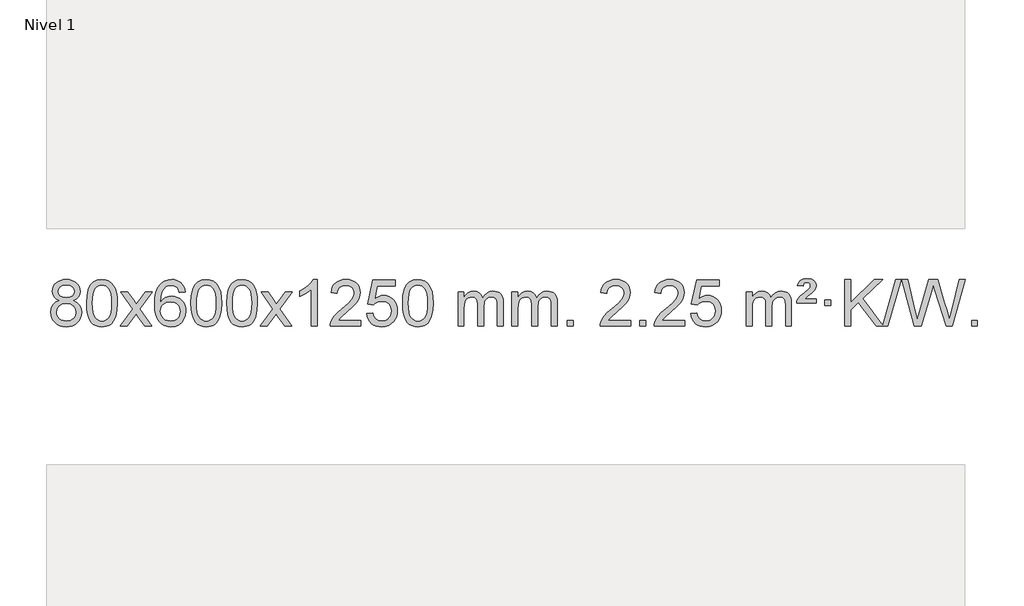
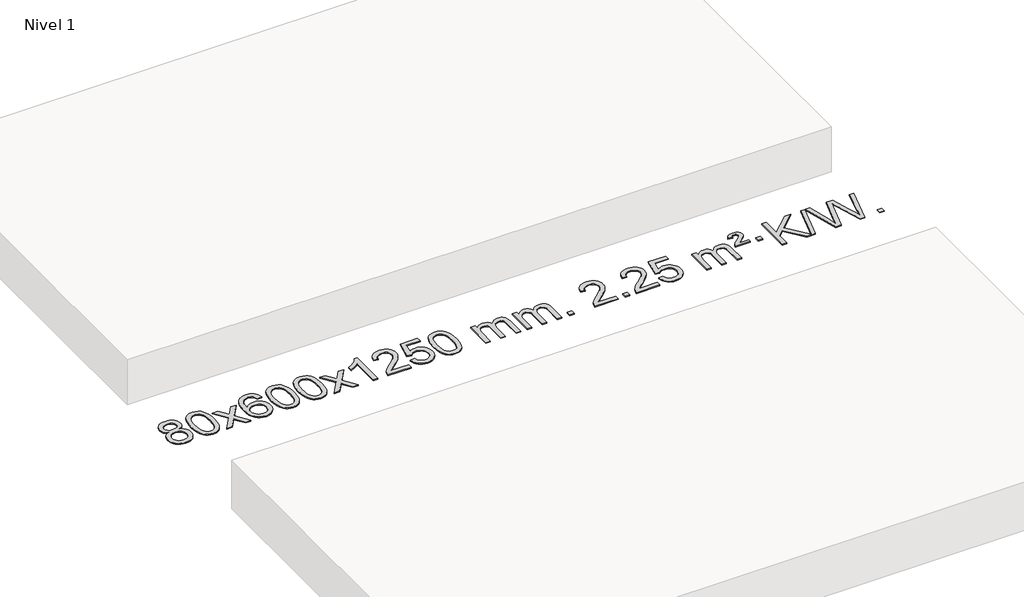
# One storey, part 6 of 7: 1 proxy.
"""IFC4 building model written with IfcOpenShell, lengths in millimetres."""

from ifc_helpers import new_model, si_unit, origin, origin_with_axes, place, context, project, spatial, polyline, outline, extrude, element, save

model = new_model("IFC4")

# Units and contexts
model_context = context("Model", 3, world=origin())
ifc_project = project(units=[si_unit("LENGTHUNIT", "METRE", prefix="MILLI")], contexts=[model_context])

# Site, building, storey
site = spatial("IfcSite", under=ifc_project)
building = spatial("IfcBuilding", under=site)
storey = spatial("IfcBuildingStorey", under=building, Name="Nivel 1", Elevation=0.0)

# Proxy
placement = place(None, origin())
element("IfcBuildingElementProxy", 1, Name="Texto de modelo 1", ObjectType="Texto de modelo 1", at=placement, inside=storey, context=model_context, shape_type="SweptSolid", body=[
    extrude(outline(polyline([(-13206.7901143, -6363.2990486), (-13233.6822881, -6350.0552967), (-13252.5546345, -6332.1026554), (-13263.7014589, -6309.8090065), (-13267.4170671, -6283.542232), (-13265.3937161, -6263.0573363), (-13259.3236632, -6244.2769604), (-13249.2069083, -6227.2011045), (-13235.0434515, -6211.8297684), (-13217.5138744, -6199.1255769), (-13197.2987588, -6190.0511543), (-13174.3981046, -6184.6065008), (-13148.8119118, -6182.7916163), (-13123.1030917, -6184.6494203), (-13100.0307593, -6190.2228326), (-13079.5949144, -6199.511853), (-13061.7955572, -6212.5164815), (-13047.374583, -6228.1882545), (-13037.0738872, -6245.4787082), (-13030.8934696, -6264.3878428), (-13028.8333305, -6284.9156581), (-13032.4998877, -6310.336304), (-13043.4995593, -6332.2498082), (-13061.9549728, -6350.0920849), (-13087.9887553, -6363.2990486), (-13057.074405, -6379.228339), (-13034.5722896, -6402.6869475), (-13020.8502912, -6432.5467028), (-13016.2762917, -6467.6794333), (-13018.5448973, -6492.7321972), (-13025.3507143, -6515.7002964), (-13036.6937424, -6536.583731), (-13052.5739819, -6555.382501), (-13072.1575668, -6570.9193839), (-13094.6106312, -6582.0171574), (-13119.9331752, -6588.6758215), (-13148.1251988, -6590.8953763), (-13176.3172223, -6588.6666245), (-13201.6397663, -6581.9803692), (-13224.0928308, -6570.8366105), (-13243.6764157, -6555.2353482), (-13259.5566551, -6536.3047539), (-13270.8996833, -6515.1729989), (-13277.7055002, -6491.8400834), (-13279.9741058, -6466.3060072), (-13275.2161654, -6429.8121133), (-13260.942344, -6399.7929425), (-13237.8884056, -6377.2785644), (-13206.7901143, -6363.2990486)]), holes=[polyline([(-13217.188912, -6285.01376), (-13212.7375399, -6306.9395269), (-13199.3834234, -6324.4507099), (-13177.5189702, -6335.9286281), (-13147.5365876, -6339.7546009), (-13118.2531808, -6335.9531536), (-13096.7198213, -6324.5488117), (-13083.4760695, -6307.62624), (-13079.0614855, -6287.2701029), (-13083.6232223, -6266.1414136), (-13097.3084325, -6248.6670189), (-13119.1360976, -6236.9315832), (-13148.1251988, -6233.0197713), (-13177.298241, -6236.8457441), (-13199.0891178, -6248.3236623), (-13212.6639635, -6265.1481323), (-13217.188912, -6285.01376)]), polyline([(-13229.7459508, -6464.5401736), (-13227.6490234, -6483.7558765), (-13221.3582413, -6502.3584427), (-13209.745433, -6518.5820387), (-13191.682427, -6530.6608309), (-13170.0509657, -6538.1656236), (-13147.7327913, -6540.6672212), (-13113.5442912, -6535.4065086), (-13099.6506145, -6528.830618), (-13087.8906534, -6519.6243711), (-13071.8509984, -6495.7243041), (-13066.5044468, -6466.1098035), (-13072.0226767, -6435.9925308), (-13088.5773665, -6411.5651663), (-13100.6561587, -6402.1228618), (-13114.8196155, -6395.3783586), (-13149.400523, -6389.982756), (-13183.1107765, -6395.3047822), (-13196.8481034, -6401.9573149), (-13208.5068969, -6411.2708607), (-13224.4361873, -6435.2322414), (-13229.7459508, -6464.5401736)])]), origin_with_axes(), (0.0, 0.0, 1.0), 10.0),
    extrude(outline(polyline([(-12972.326656, -6386.9415981), (-12968.6355733, -6322.6235626), (-12957.5623253, -6271.3285498), (-12939.2172764, -6232.2717446), (-12927.3592135, -6217.0383643), (-12913.7107915, -6204.6683323), (-12898.2260251, -6195.097269), (-12880.8589293, -6188.2607953), (-12840.4777489, -6182.7916163), (-12809.5266104, -6186.0289778), (-12781.8128334, -6195.7410625), (-12758.6362678, -6211.5477256), (-12741.296763, -6233.0688223), (-12728.200164, -6260.1204117), (-12717.7523154, -6292.5185527), (-12710.9097102, -6333.6600225), (-12708.6288419, -6386.9415981), (-12712.2831364, -6450.8917516), (-12723.2460198, -6502.0641372), (-12741.480704, -6541.1577305), (-12753.3111759, -6556.437096), (-12766.9504008, -6568.8715075), (-12782.4535613, -6578.5069501), (-12799.8758394, -6585.3894091), (-12840.4777489, -6590.8953763), (-12868.142475, -6588.5041433), (-12892.6679413, -6581.3304444), (-12914.054148, -6569.3742795), (-12932.3010949, -6552.6356488), (-12949.8122779, -6522.3773547), (-12962.3202657, -6484.6755815), (-12969.8250584, -6439.5303293), (-12972.326656, -6386.9415981)]), holes=[polyline([(-12922.0985009, -6386.8434963), (-12920.626973, -6430.5080234), (-12916.212389, -6465.8522861), (-12908.8547491, -6492.8762843), (-12898.5540532, -6511.5800181), (-12886.0951163, -6524.3056694), (-12872.2627533, -6533.3954204), (-12857.0569642, -6538.849271), (-12840.4777489, -6540.6672212), (-12823.8985337, -6538.8431396), (-12808.6927446, -6533.3708949), (-12794.8603815, -6524.2504871), (-12782.4014446, -6511.4819162), (-12772.1007488, -6492.7475256), (-12764.7431089, -6465.7296588), (-12760.3285249, -6430.4283156), (-12758.8569969, -6386.8434963), (-12760.279474, -6344.3347317), (-12764.5469051, -6309.6128027), (-12771.6592904, -6282.6777093), (-12781.6166297, -6263.5294515), (-12793.8671002, -6250.1814664), (-12807.8588787, -6240.6471914), (-12823.5919654, -6234.9266264), (-12841.0663601, -6233.0197713), (-12857.5597363, -6234.6997658), (-12872.508008, -6239.7397491), (-12885.9111753, -6248.1397213), (-12897.7692383, -6259.8996825), (-12908.4132907, -6280.7463289), (-12916.0161853, -6308.8525133), (-12920.577922, -6344.2182358), (-12922.0985009, -6386.8434963)])]), origin_with_axes(), (0.0, 0.0, 1.0), 10.0),
    extrude(outline(polyline([(-12683.5147643, -6584.6168569), (-12576.1913236, -6436.2868364), (-12677.236245, -6289.5264458), (-12616.8054959, -6289.5264458), (-12568.0488688, -6360.1597889), (-12545.289236, -6393.5144231), (-12525.5707611, -6366.2421045), (-12470.0451053, -6289.5264458), (-12409.6143562, -6289.5264458), (-12515.7605745, -6436.2868364), (-12413.5384308, -6584.6168569), (-12473.9691799, -6584.6168569), (-12535.4790495, -6495.4422612), (-12546.760764, -6479.1573516), (-12623.0840153, -6584.6168569), (-12683.5147643, -6584.6168569)])), origin_with_axes(), (0.0, 0.0, 1.0), 10.0),
    extrude(outline(polyline([(-12124.7265391, -6289.5264458), (-12174.9546942, -6295.8049652), (-12183.0480981, -6270.9116168), (-12193.9864561, -6253.9154687), (-12216.7706143, -6238.2436957), (-12244.312713, -6233.0197713), (-12267.660957, -6236.0609292), (-12289.6357748, -6245.1844027), (-12308.5081212, -6264.4001055), (-12323.9223768, -6290.850821), (-12334.3334372, -6328.2644199), (-12338.1961982, -6380.3687731), (-12318.0485276, -6356.8611137), (-12293.903206, -6340.2941611), (-12267.109134, -6330.4717119), (-12239.0152123, -6327.1975621), (-12214.8821534, -6329.4355109), (-12192.61303, -6336.1493573), (-12172.207842, -6347.3391013), (-12153.6665894, -6363.004743), (-12138.2584652, -6382.2143145), (-12127.2526622, -6404.0358482), (-12120.6491803, -6428.469344), (-12118.4480197, -6455.514802), (-12122.5928236, -6491.4813984), (-12135.027235, -6524.8237699), (-12154.7211845, -6553.1016326), (-12180.6446024, -6573.8747026), (-12211.6202664, -6586.6402078), (-12246.4709541, -6590.8953763), (-12276.4134828, -6588.0749476), (-12303.4558751, -6579.6136617), (-12327.5981311, -6565.5115186), (-12348.8402506, -6545.7685182), (-12366.1582955, -6519.5507947), (-12378.5283276, -6486.0244822), (-12385.9503469, -6445.1895807), (-12388.4243533, -6397.0460903), (-12385.677501, -6343.0716702), (-12377.4369443, -6297.006713), (-12363.7026832, -6258.8512188), (-12344.4747176, -6228.6051874), (-12323.6342026, -6208.56175), (-12299.4704868, -6194.2450091), (-12271.9835704, -6185.6549645), (-12241.1734533, -6182.7916163), (-12218.0398072, -6184.5635812), (-12197.1011903, -6189.879476), (-12178.3576027, -6198.7393008), (-12161.8090442, -6211.1430554), (-12147.9031048, -6226.6738069), (-12137.0873742, -6244.9146225), (-12129.3618523, -6265.8655021), (-12124.7265391, -6289.5264458)]), holes=[polyline([(-12338.1961982, -6454.7299871), (-12335.2899304, -6476.9868478), (-12326.5711271, -6498.2381644), (-12313.0330697, -6516.5096368), (-12295.6690396, -6529.8269651), (-12274.7120286, -6537.9571571), (-12250.3950287, -6540.6672212), (-12217.2488609, -6535.0508894), (-12203.3337244, -6528.0304746), (-12191.1905529, -6518.201894), (-12181.3405125, -6505.9636863), (-12174.3047693, -6491.7143904), (-12168.6761748, -6457.1825337), (-12174.2311929, -6424.036366), (-12181.1749656, -6410.4155351), (-12190.8962473, -6398.7628729), (-12203.0762071, -6389.4278673), (-12217.3960137, -6382.7600061), (-12252.4551679, -6377.4257172), (-12285.5522847, -6382.7600061), (-12313.2292735, -6398.7628729), (-12324.152303, -6410.2622509), (-12331.954467, -6423.4232293), (-12336.6357654, -6438.245808), (-12338.1961982, -6454.7299871)])]), origin_with_axes(), (0.0, 0.0, 1.0), 10.0),
    extrude(outline(polyline([(-12074.4983841, -6386.9415981), (-12070.8073014, -6322.6235626), (-12059.7340533, -6271.3285498), (-12041.3890045, -6232.2717446), (-12029.5309415, -6217.0383643), (-12015.8825195, -6204.6683323), (-12000.3977532, -6195.097269), (-11983.0306573, -6188.2607953), (-11942.649477, -6182.7916163), (-11911.6983385, -6186.0289778), (-11883.9845615, -6195.7410625), (-11860.8079958, -6211.5477256), (-11843.4684911, -6233.0688223), (-11830.3718921, -6260.1204117), (-11819.9240434, -6292.5185527), (-11813.0814383, -6333.6600225), (-11810.8005699, -6386.9415981), (-11814.4548644, -6450.8917516), (-11825.4177479, -6502.0641372), (-11843.6524321, -6541.1577305), (-11855.4829039, -6556.437096), (-11869.1221289, -6568.8715075), (-11884.6252893, -6578.5069501), (-11902.0475674, -6585.3894091), (-11942.649477, -6590.8953763), (-11970.314203, -6588.5041433), (-11994.8396694, -6581.3304444), (-12016.225876, -6569.3742795), (-12034.472823, -6552.6356488), (-12051.9840059, -6522.3773547), (-12064.4919938, -6484.6755815), (-12071.9967865, -6439.5303293), (-12074.4983841, -6386.9415981)]), holes=[polyline([(-12024.270229, -6386.8434963), (-12022.798701, -6430.5080234), (-12018.3841171, -6465.8522861), (-12011.0264772, -6492.8762843), (-12000.7257813, -6511.5800181), (-11988.2668444, -6524.3056694), (-11974.4344814, -6533.3954204), (-11959.2286922, -6538.849271), (-11942.649477, -6540.6672212), (-11926.0702617, -6538.8431396), (-11910.8644726, -6533.3708949), (-11897.0321096, -6524.2504871), (-11884.5731727, -6511.4819162), (-11874.2724768, -6492.7475256), (-11866.9148369, -6465.7296588), (-11862.500253, -6430.4283156), (-11861.028725, -6386.8434963), (-11862.451202, -6344.3347317), (-11866.7186332, -6309.6128027), (-11873.8310184, -6282.6777093), (-11883.7883578, -6263.5294515), (-11896.0388282, -6250.1814664), (-11910.0306067, -6240.6471914), (-11925.7636934, -6234.9266264), (-11943.2380882, -6233.0197713), (-11959.7314643, -6234.6997658), (-11974.679736, -6239.7397491), (-11988.0829034, -6248.1397213), (-11999.9409664, -6259.8996825), (-12010.5850188, -6280.7463289), (-12018.1879133, -6308.8525133), (-12022.7496501, -6344.2182358), (-12024.270229, -6386.8434963)])]), origin_with_axes(), (0.0, 0.0, 1.0), 10.0),
    extrude(outline(polyline([(-11766.8509342, -6386.9415981), (-11763.1598515, -6322.6235626), (-11752.0866035, -6271.3285498), (-11733.7415547, -6232.2717446), (-11721.8834917, -6217.0383643), (-11708.2350697, -6204.6683323), (-11692.7503033, -6195.097269), (-11675.3832075, -6188.2607953), (-11635.0020271, -6182.7916163), (-11604.0508886, -6186.0289778), (-11576.3371117, -6195.7410625), (-11553.160546, -6211.5477256), (-11535.8210412, -6233.0688223), (-11522.7244422, -6260.1204117), (-11512.2765936, -6292.5185527), (-11505.4339884, -6333.6600225), (-11503.1531201, -6386.9415981), (-11506.8074146, -6450.8917516), (-11517.770298, -6502.0641372), (-11536.0049822, -6541.1577305), (-11547.8354541, -6556.437096), (-11561.474679, -6568.8715075), (-11576.9778395, -6578.5069501), (-11594.4001176, -6585.3894091), (-11635.0020271, -6590.8953763), (-11662.6667532, -6588.5041433), (-11687.1922195, -6581.3304444), (-11708.5784262, -6569.3742795), (-11726.8253731, -6552.6356488), (-11744.3365561, -6522.3773547), (-11756.844544, -6484.6755815), (-11764.3493367, -6439.5303293), (-11766.8509342, -6386.9415981)]), holes=[polyline([(-11716.6227791, -6386.8434963), (-11715.1512512, -6430.5080234), (-11710.7366672, -6465.8522861), (-11703.3790273, -6492.8762843), (-11693.0783315, -6511.5800181), (-11680.6193946, -6524.3056694), (-11666.7870315, -6533.3954204), (-11651.5812424, -6538.849271), (-11635.0020271, -6540.6672212), (-11618.4228119, -6538.8431396), (-11603.2170228, -6533.3708949), (-11589.3846597, -6524.2504871), (-11576.9257228, -6511.4819162), (-11566.625027, -6492.7475256), (-11559.2673871, -6465.7296588), (-11554.8528031, -6430.4283156), (-11553.3812752, -6386.8434963), (-11554.8037522, -6344.3347317), (-11559.0711833, -6309.6128027), (-11566.1835686, -6282.6777093), (-11576.1409079, -6263.5294515), (-11588.3913784, -6250.1814664), (-11602.3831569, -6240.6471914), (-11618.1162436, -6234.9266264), (-11635.5906383, -6233.0197713), (-11652.0840145, -6234.6997658), (-11667.0322862, -6239.7397491), (-11680.4354536, -6248.1397213), (-11692.2935165, -6259.8996825), (-11702.9375689, -6280.7463289), (-11710.5404635, -6308.8525133), (-11715.1022002, -6344.2182358), (-11716.6227791, -6386.8434963)])]), origin_with_axes(), (0.0, 0.0, 1.0), 10.0),
    extrude(outline(polyline([(-11478.0390425, -6584.6168569), (-11370.7156018, -6436.2868364), (-11471.7605232, -6289.5264458), (-11411.3297741, -6289.5264458), (-11362.573147, -6360.1597889), (-11339.8135142, -6393.5144231), (-11320.0950393, -6366.2421045), (-11264.5693835, -6289.5264458), (-11204.1386344, -6289.5264458), (-11310.2848527, -6436.2868364), (-11208.062709, -6584.6168569), (-11268.4934581, -6584.6168569), (-11330.0033277, -6495.4422612), (-11341.2850422, -6479.1573516), (-11417.6082935, -6584.6168569), (-11478.0390425, -6584.6168569)])), origin_with_axes(), (0.0, 0.0, 1.0), 10.0),
    extrude(outline(polyline([(-10988.3145306, -6584.6168569), (-11038.5426856, -6584.6168569), (-11038.5426856, -6271.4757026), (-11059.5119594, -6288.4350626), (-11086.1220903, -6305.3698971), (-11138.9989958, -6330.7292293), (-11138.9989958, -6283.2479264), (-11099.5497832, -6261.7881434), (-11065.3735458, -6236.2571329), (-11038.432321, -6209.1074417), (-11020.6881461, -6182.7916163), (-10988.3145306, -6182.7916163), (-10988.3145306, -6584.6168569)])), origin_with_axes(), (0.0, 0.0, 1.0), 10.0),
    extrude(outline(polyline([(-10611.6033675, -6534.3887018), (-10611.6033675, -6584.6168569), (-10875.3011816, -6584.6168569), (-10874.1975357, -6566.9339956), (-10869.905579, -6549.9868984), (-10857.5202185, -6522.9230463), (-10839.3958989, -6496.6685346), (-10813.1781754, -6469.1877495), (-10776.5126032, -6438.4450775), (-10722.3113226, -6390.301587), (-10689.7905542, -6354.7641863), (-10673.53017, -6325.9222379), (-10668.110042, -6297.8651044), (-10673.2236017, -6272.7142386), (-10688.5642809, -6251.8062786), (-10712.1455168, -6237.7163982), (-10741.9807466, -6233.0197713), (-10773.3120298, -6237.6060336), (-10797.6535552, -6251.3648202), (-10813.3621164, -6273.2170107), (-10818.7945072, -6302.0834846), (-10869.0226623, -6295.8049652), (-10864.7031145, -6269.8754159), (-10856.8457682, -6247.2200164), (-10845.4506234, -6227.8387666), (-10830.5176801, -6211.7316666), (-10812.3902948, -6199.0703946), (-10791.411824, -6190.0266288), (-10767.5822678, -6184.6003694), (-10740.9016261, -6182.7916163), (-10713.9818611, -6184.8027045), (-10690.0235461, -6190.8359692), (-10669.0266813, -6200.8914104), (-10650.9912664, -6214.9690281), (-10636.5059129, -6232.02649), (-10626.1592318, -6251.0214636), (-10619.9512231, -6271.9539492), (-10617.8818869, -6294.8239465), (-10620.1137043, -6318.8466408), (-10626.8091566, -6342.4524022), (-10638.6917451, -6366.4628337), (-10656.4849709, -6391.6995386), (-10684.8486727, -6421.829074), (-10728.4426892, -6460.5179972), (-10786.2246879, -6508.8331659), (-10808.8862188, -6534.3887018), (-10611.6033675, -6534.3887018)])), origin_with_axes(), (0.0, 0.0, 1.0), 10.0),
    extrude(outline(polyline([(-10561.3752124, -6477.8820273), (-10511.1470573, -6471.603508), (-10501.925482, -6501.7575688), (-10485.8367761, -6523.3522419), (-10462.954516, -6536.3384764), (-10433.3522781, -6540.6672212), (-10414.2224144, -6539.1619707), (-10397.3488935, -6534.6462192), (-10382.7317156, -6527.1199667), (-10370.3708805, -6516.5832132), (-10360.5422999, -6503.5571249), (-10353.5218851, -6488.5628679), (-10347.9055534, -6452.6698479), (-10353.1662659, -6418.8737553), (-10359.7421566, -6404.9555532), (-10368.9484035, -6393.0239138), (-10380.8156635, -6383.4528505), (-10395.3745935, -6376.6163768), (-10432.5674632, -6371.1471978), (-10456.933514, -6373.3299643), (-10476.6642517, -6379.8782638), (-10492.4218638, -6389.9091796), (-10504.868538, -6402.5397947), (-10555.096693, -6396.2612753), (-10511.1470573, -6189.0701357), (-10316.5129564, -6189.0701357), (-10316.5129564, -6239.2982907), (-10470.5328851, -6239.2982907), (-10492.0171936, -6349.9571949), (-10474.2914128, -6337.2530033), (-10456.1364363, -6328.1785808), (-10437.5522642, -6322.7339272), (-10418.5388964, -6320.9190427), (-10394.0778094, -6323.1692543), (-10371.6094166, -6329.9198889), (-10351.1337179, -6341.1709466), (-10332.6507133, -6356.9224273), (-10317.349888, -6376.2117066), (-10306.420727, -6398.0761598), (-10299.8632305, -6422.5157871), (-10297.6773983, -6449.5305882), (-10299.645567, -6475.552108), (-10305.550073, -6499.7587433), (-10315.3909163, -6522.1504941), (-10329.1680971, -6542.7273604), (-10350.0392689, -6563.8008673), (-10374.393057, -6578.8533723), (-10402.2294613, -6587.8848753), (-10433.5484818, -6590.8953763), (-10459.4688341, -6588.9609301), (-10482.8814574, -6583.1575916), (-10503.7863518, -6573.4853608), (-10522.1835172, -6559.9442377), (-10537.4904739, -6543.2086726), (-10549.124742, -6523.9531159), (-10557.0863215, -6502.1775674), (-10561.3752124, -6477.8820273)])), origin_with_axes(), (0.0, 0.0, 1.0), 10.0),
    extrude(outline(polyline([(-10253.7277626, -6386.9415981), (-10250.0366799, -6322.6235626), (-10238.9634319, -6271.3285498), (-10220.618383, -6232.2717446), (-10208.76032, -6217.0383643), (-10195.111898, -6204.6683323), (-10179.6271317, -6195.097269), (-10162.2600359, -6188.2607953), (-10121.8788555, -6182.7916163), (-10090.927717, -6186.0289778), (-10063.21394, -6195.7410625), (-10040.0373743, -6211.5477256), (-10022.6978696, -6233.0688223), (-10009.6012706, -6260.1204117), (-9999.1534219, -6292.5185527), (-9992.3108168, -6333.6600225), (-9990.0299484, -6386.9415981), (-9993.6842429, -6450.8917516), (-10004.6471264, -6502.0641372), (-10022.8818106, -6541.1577305), (-10034.7122824, -6556.437096), (-10048.3515074, -6568.8715075), (-10063.8546678, -6578.5069501), (-10081.276946, -6585.3894091), (-10121.8788555, -6590.8953763), (-10149.5435816, -6588.5041433), (-10174.0690479, -6581.3304444), (-10195.4552546, -6569.3742795), (-10213.7022015, -6552.6356488), (-10231.2133845, -6522.3773547), (-10243.7213723, -6484.6755815), (-10251.226165, -6439.5303293), (-10253.7277626, -6386.9415981)]), holes=[polyline([(-10203.4996075, -6386.8434963), (-10202.0280795, -6430.5080234), (-10197.6134956, -6465.8522861), (-10190.2558557, -6492.8762843), (-10179.9551598, -6511.5800181), (-10167.4962229, -6524.3056694), (-10153.6638599, -6533.3954204), (-10138.4580708, -6538.849271), (-10121.8788555, -6540.6672212), (-10105.2996403, -6538.8431396), (-10090.0938511, -6533.3708949), (-10076.2614881, -6524.2504871), (-10063.8025512, -6511.4819162), (-10053.5018553, -6492.7475256), (-10046.1442154, -6465.7296588), (-10041.7296315, -6430.4283156), (-10040.2581035, -6386.8434963), (-10041.6805806, -6344.3347317), (-10045.9480117, -6309.6128027), (-10053.060397, -6282.6777093), (-10063.0177363, -6263.5294515), (-10075.2682067, -6250.1814664), (-10089.2599853, -6240.6471914), (-10104.9930719, -6234.9266264), (-10122.4674667, -6233.0197713), (-10138.9608428, -6234.6997658), (-10153.9091146, -6239.7397491), (-10167.3122819, -6248.1397213), (-10179.1703449, -6259.8996825), (-10189.8143973, -6280.7463289), (-10197.4172919, -6308.8525133), (-10201.9790286, -6344.2182358), (-10203.4996075, -6386.8434963)])]), origin_with_axes(), (0.0, 0.0, 1.0), 10.0),
    extrude(outline(polyline([(-9776.5602894, -6584.6168569), (-9776.5602894, -6289.5264458), (-9726.3321343, -6289.5264458), (-9726.3321343, -6338.0868692), (-9711.224447, -6315.7809575), (-9691.8002777, -6298.3065628), (-9668.7218139, -6287.0125855), (-9642.6512431, -6283.2479264), (-9614.716737, -6287.0861619), (-9592.3249862, -6298.6008684), (-9575.5986181, -6317.0317563), (-9564.6602602, -6341.6185363), (-9546.3519995, -6316.0813945), (-9525.4685649, -6297.8405789), (-9502.0099564, -6286.8960895), (-9475.9761739, -6283.2479264), (-9455.8683571, -6284.7654397), (-9438.2192184, -6289.3179793), (-9423.0287577, -6296.9055455), (-9410.296975, -6307.5281381), (-9400.2323367, -6321.3083845), (-9393.0433094, -6338.368912), (-9388.729893, -6358.7097207), (-9387.2920876, -6382.3308105), (-9387.2920876, -6584.6168569), (-9437.5202426, -6584.6168569), (-9437.5202426, -6403.9132208), (-9438.6852023, -6378.860457), (-9442.1800812, -6361.9746734), (-9448.7283807, -6350.410916), (-9459.0536021, -6341.3242307), (-9472.3341421, -6335.4381188), (-9487.7483977, -6333.4760815), (-9514.9594026, -6338.5038021), (-9537.1426869, -6353.5869639), (-9545.7480599, -6365.1568526), (-9551.8947549, -6379.7556365), (-9556.8121109, -6418.0398895), (-9556.8121109, -6584.6168569), (-9607.040266, -6584.6168569), (-9607.040266, -6398.3214145), (-9609.9465338, -6369.9209245), (-9618.6653371, -6349.6628893), (-9634.0060162, -6337.5227834), (-9656.7779118, -6333.4760815), (-9676.1285047, -6336.1738828), (-9693.9585187, -6344.2672867), (-9708.6737985, -6357.5600894), (-9718.6801888, -6375.8560873), (-9724.4191479, -6401.239945), (-9726.3321343, -6435.7963271), (-9726.3321343, -6584.6168569), (-9776.5602894, -6584.6168569)])), origin_with_axes(), (0.0, 0.0, 1.0), 10.0),
    extrude(outline(polyline([(-9311.9498549, -6584.6168569), (-9311.9498549, -6289.5264458), (-9261.7216999, -6289.5264458), (-9261.7216999, -6338.0868692), (-9246.6140126, -6315.7809575), (-9227.1898432, -6298.3065628), (-9204.1113794, -6287.0125855), (-9178.0408087, -6283.2479264), (-9150.1063025, -6287.0861619), (-9127.7145518, -6298.6008684), (-9110.9881837, -6317.0317563), (-9100.0498257, -6341.6185363), (-9081.7415651, -6316.0813945), (-9060.8581305, -6297.8405789), (-9037.3995219, -6286.8960895), (-9011.3657394, -6283.2479264), (-8991.2579227, -6284.7654397), (-8973.608784, -6289.3179793), (-8958.4183233, -6296.9055455), (-8945.6865405, -6307.5281381), (-8935.6219023, -6321.3083845), (-8928.432875, -6338.368912), (-8924.1194586, -6358.7097207), (-8922.6816531, -6382.3308105), (-8922.6816531, -6584.6168569), (-8972.9098082, -6584.6168569), (-8972.9098082, -6403.9132208), (-8974.0747678, -6378.860457), (-8977.5696468, -6361.9746734), (-8984.1179463, -6350.410916), (-8994.4431676, -6341.3242307), (-9007.7237077, -6335.4381188), (-9023.1379633, -6333.4760815), (-9050.3489682, -6338.5038021), (-9072.5322525, -6353.5869639), (-9081.1376255, -6365.1568526), (-9087.2843205, -6379.7556365), (-9092.2016765, -6418.0398895), (-9092.2016765, -6584.6168569), (-9142.4298316, -6584.6168569), (-9142.4298316, -6398.3214145), (-9145.3360993, -6369.9209245), (-9154.0549026, -6349.6628893), (-9169.3955818, -6337.5227834), (-9192.1674773, -6333.4760815), (-9211.5180703, -6336.1738828), (-9229.3480843, -6344.2672867), (-9244.0633641, -6357.5600894), (-9254.0697544, -6375.8560873), (-9259.8087135, -6401.239945), (-9261.7216999, -6435.7963271), (-9261.7216999, -6584.6168569), (-9311.9498549, -6584.6168569)])), origin_with_axes(), (0.0, 0.0, 1.0), 10.0),
    extrude(outline(polyline([(-8834.7823817, -6584.6168569), (-8834.7823817, -6534.3887018), (-8784.5542267, -6534.3887018), (-8784.5542267, -6584.6168569), (-8834.7823817, -6584.6168569)])), origin_with_axes(), (0.0, 0.0, 1.0), 10.0),
    extrude(outline(polyline([(-8288.5511953, -6534.3887018), (-8288.5511953, -6584.6168569), (-8552.2490094, -6584.6168569), (-8551.1453634, -6566.9339956), (-8546.8534068, -6549.9868984), (-8534.4680463, -6522.9230463), (-8516.3437267, -6496.6685346), (-8490.1260032, -6469.1877495), (-8453.460431, -6438.4450775), (-8399.2591504, -6390.301587), (-8366.738382, -6354.7641863), (-8350.4779978, -6325.9222379), (-8345.0578697, -6297.8651044), (-8350.1714295, -6272.7142386), (-8365.5121087, -6251.8062786), (-8389.0933446, -6237.7163982), (-8418.9285744, -6233.0197713), (-8450.2598576, -6237.6060336), (-8474.601383, -6251.3648202), (-8490.3099442, -6273.2170107), (-8495.742335, -6302.0834846), (-8545.97049, -6295.8049652), (-8541.6509423, -6269.8754159), (-8533.793596, -6247.2200164), (-8522.3984512, -6227.8387666), (-8507.4655079, -6211.7316666), (-8489.3381226, -6199.0703946), (-8468.3596518, -6190.0266288), (-8444.5300956, -6184.6003694), (-8417.8494539, -6182.7916163), (-8390.9296889, -6184.8027045), (-8366.9713739, -6190.8359692), (-8345.9745091, -6200.8914104), (-8327.9390942, -6214.9690281), (-8313.4537407, -6232.02649), (-8303.1070596, -6251.0214636), (-8296.8990509, -6271.9539492), (-8294.8297147, -6294.8239465), (-8297.0615321, -6318.8466408), (-8303.7569844, -6342.4524022), (-8315.6395729, -6366.4628337), (-8333.4327987, -6391.6995386), (-8361.7965005, -6421.829074), (-8405.390517, -6460.5179972), (-8463.1725157, -6508.8331659), (-8485.8340466, -6534.3887018), (-8288.5511953, -6534.3887018)])), origin_with_axes(), (0.0, 0.0, 1.0), 10.0),
    extrude(outline(polyline([(-8213.2089627, -6584.6168569), (-8213.2089627, -6534.3887018), (-8162.9808076, -6534.3887018), (-8162.9808076, -6584.6168569), (-8213.2089627, -6584.6168569)])), origin_with_axes(), (0.0, 0.0, 1.0), 10.0),
    extrude(outline(polyline([(-7823.9407608, -6534.3887018), (-7823.9407608, -6584.6168569), (-8087.638575, -6584.6168569), (-8086.534929, -6566.9339956), (-8082.2429724, -6549.9868984), (-8069.8576119, -6522.9230463), (-8051.7332923, -6496.6685346), (-8025.5155687, -6469.1877495), (-7988.8499966, -6438.4450775), (-7934.6487159, -6390.301587), (-7902.1279476, -6354.7641863), (-7885.8675634, -6325.9222379), (-7880.4474353, -6297.8651044), (-7885.560995, -6272.7142386), (-7900.9016742, -6251.8062786), (-7924.4829101, -6237.7163982), (-7954.3181399, -6233.0197713), (-7985.6494232, -6237.6060336), (-8009.9909485, -6251.3648202), (-8025.6995097, -6273.2170107), (-8031.1319005, -6302.0834846), (-8081.3600556, -6295.8049652), (-8077.0405078, -6269.8754159), (-8069.1831616, -6247.2200164), (-8057.7880168, -6227.8387666), (-8042.8550734, -6211.7316666), (-8024.7276881, -6199.0703946), (-8003.7492174, -6190.0266288), (-7979.9196611, -6184.6003694), (-7953.2390194, -6182.7916163), (-7926.3192544, -6184.8027045), (-7902.3609395, -6190.8359692), (-7881.3640746, -6200.8914104), (-7863.3286598, -6214.9690281), (-7848.8433062, -6232.02649), (-7838.4966251, -6251.0214636), (-7832.2886165, -6271.9539492), (-7830.2192802, -6294.8239465), (-7832.4510977, -6318.8466408), (-7839.14655, -6342.4524022), (-7851.0291384, -6366.4628337), (-7868.8223643, -6391.6995386), (-7897.1860661, -6421.829074), (-7940.7800825, -6460.5179972), (-7998.5620812, -6508.8331659), (-8021.2236121, -6534.3887018), (-7823.9407608, -6534.3887018)])), origin_with_axes(), (0.0, 0.0, 1.0), 10.0),
    extrude(outline(polyline([(-7773.7126058, -6477.8820273), (-7723.4844507, -6471.603508), (-7714.2628754, -6501.7575688), (-7698.1741694, -6523.3522419), (-7675.2919093, -6536.3384764), (-7645.6896715, -6540.6672212), (-7626.5598077, -6539.1619707), (-7609.6862869, -6534.6462192), (-7595.0691089, -6527.1199667), (-7582.7082739, -6516.5832132), (-7572.8796932, -6503.5571249), (-7565.8592785, -6488.5628679), (-7560.2429467, -6452.6698479), (-7565.5036592, -6418.8737553), (-7572.0795499, -6404.9555532), (-7581.2857968, -6393.0239138), (-7593.1530569, -6383.4528505), (-7607.7119868, -6376.6163768), (-7644.9048565, -6371.1471978), (-7669.2709073, -6373.3299643), (-7689.001645, -6379.8782638), (-7704.7592571, -6389.9091796), (-7717.2059313, -6402.5397947), (-7767.4340864, -6396.2612753), (-7723.4844507, -6189.0701357), (-7528.8503498, -6189.0701357), (-7528.8503498, -6239.2982907), (-7682.8702784, -6239.2982907), (-7704.3545869, -6349.9571949), (-7686.6288061, -6337.2530033), (-7668.4738297, -6328.1785808), (-7649.8896576, -6322.7339272), (-7630.8762898, -6320.9190427), (-7606.4152028, -6323.1692543), (-7583.9468099, -6329.9198889), (-7563.4711112, -6341.1709466), (-7544.9881066, -6356.9224273), (-7529.6872813, -6376.2117066), (-7518.7581204, -6398.0761598), (-7512.2006238, -6422.5157871), (-7510.0147916, -6449.5305882), (-7511.9829603, -6475.552108), (-7517.8874663, -6499.7587433), (-7527.7283097, -6522.1504941), (-7541.5054904, -6542.7273604), (-7562.3766623, -6563.8008673), (-7586.7304504, -6578.8533723), (-7614.5668547, -6587.8848753), (-7645.8858752, -6590.8953763), (-7671.8062274, -6588.9609301), (-7695.2188507, -6583.1575916), (-7716.1237451, -6573.4853608), (-7734.5209106, -6559.9442377), (-7749.8278672, -6543.2086726), (-7761.4621353, -6523.9531159), (-7769.4237148, -6502.1775674), (-7773.7126058, -6477.8820273)])), origin_with_axes(), (0.0, 0.0, 1.0), 10.0),
    extrude(outline(polyline([(-7296.5451326, -6584.6168569), (-7296.5451326, -6289.5264458), (-7246.3169775, -6289.5264458), (-7246.3169775, -6338.0868692), (-7231.2092902, -6315.7809575), (-7211.7851209, -6298.3065628), (-7188.706657, -6287.0125855), (-7162.6360863, -6283.2479264), (-7134.7015802, -6287.0861619), (-7112.3098294, -6298.6008684), (-7095.5834613, -6317.0317563), (-7084.6451033, -6341.6185363), (-7066.3368427, -6316.0813945), (-7045.4534081, -6297.8405789), (-7021.9947996, -6286.8960895), (-6995.961017, -6283.2479264), (-6975.8532003, -6284.7654397), (-6958.2040616, -6289.3179793), (-6943.0136009, -6296.9055455), (-6930.2818182, -6307.5281381), (-6920.2171799, -6321.3083845), (-6913.0281526, -6338.368912), (-6908.7147362, -6358.7097207), (-6907.2769307, -6382.3308105), (-6907.2769307, -6584.6168569), (-6957.5050858, -6584.6168569), (-6957.5050858, -6403.9132208), (-6958.6700455, -6378.860457), (-6962.1649244, -6361.9746734), (-6968.7132239, -6350.410916), (-6979.0384453, -6341.3242307), (-6992.3189853, -6335.4381188), (-7007.7332409, -6333.4760815), (-7034.9442458, -6338.5038021), (-7057.1275301, -6353.5869639), (-7065.7329031, -6365.1568526), (-7071.8795981, -6379.7556365), (-7076.7969541, -6418.0398895), (-7076.7969541, -6584.6168569), (-7127.0251092, -6584.6168569), (-7127.0251092, -6398.3214145), (-7129.9313769, -6369.9209245), (-7138.6501802, -6349.6628893), (-7153.9908594, -6337.5227834), (-7176.7627549, -6333.4760815), (-7196.1133479, -6336.1738828), (-7213.9433619, -6344.2672867), (-7228.6586417, -6357.5600894), (-7238.665032, -6375.8560873), (-7244.4039911, -6401.239945), (-7246.3169775, -6435.7963271), (-7246.3169775, -6584.6168569), (-7296.5451326, -6584.6168569)])), origin_with_axes(), (0.0, 0.0, 1.0), 10.0),
    extrude(outline(polyline([(-6863.327295, -6383.7042366), (-6859.5013223, -6367.8853108), (-6851.1626637, -6352.0173341), (-6829.6538298, -6326.878731), (-6797.6971471, -6299.1404286), (-6753.5513077, -6261.7636179), (-6746.414397, -6250.2366487), (-6744.0354267, -6238.4153739), (-6745.9238876, -6226.324319), (-6751.5892704, -6216.538658), (-6760.9579985, -6210.0639348), (-6773.9564957, -6207.9056938), (-6786.3909071, -6209.5243746), (-6795.2446005, -6214.3804169), (-6801.6702727, -6223.8472469), (-6806.8206206, -6239.2982907), (-6857.0487757, -6233.0197713), (-6846.2085195, -6207.8075919), (-6829.5802534, -6190.247358), (-6805.8150765, -6179.9466622), (-6773.5640882, -6176.5130969), (-6737.7814328, -6180.645638), (-6713.0352373, -6193.0432612), (-6698.6142631, -6211.3760473), (-6693.8072717, -6233.3140769), (-6697.9030245, -6256.2208625), (-6710.1902832, -6277.8523238), (-6730.7180985, -6297.6689006), (-6767.187467, -6325.7260341), (-6792.7920538, -6352.3116396), (-6693.8072717, -6352.3116396), (-6693.8072717, -6383.7042366), (-6863.327295, -6383.7042366)])), origin_with_axes(), (0.0, 0.0, 1.0), 10.0),
    extrude(outline(polyline([(-6618.4650391, -6408.8183141), (-6618.4650391, -6358.590159), (-6568.236884, -6358.590159), (-6568.236884, -6408.8183141), (-6618.4650391, -6408.8183141)])), origin_with_axes(), (0.0, 0.0, 1.0), 10.0),
    extrude(outline(polyline([(-6177.595256, -6584.6168569), (-6331.0265735, -6381.938403), (-6398.7168606, -6446.4894304), (-6398.7168606, -6584.6168569), (-6448.9450157, -6584.6168569), (-6448.9450157, -6182.7916163), (-6398.7168606, -6182.7916163), (-6398.7168606, -6379.4858564), (-6192.7029433, -6182.7916163), (-6122.4620077, -6182.7916163), (-6295.4155964, -6347.9951576), (-6120.7619865, -6578.5723371), (-6009.4486588, -6182.7916163), (-5964.125597, -6182.7916163), (-6077.1389459, -6584.6168569), (-6116.1834883, -6584.6168569), (-6122.4620077, -6584.6168569), (-6177.595256, -6584.6168569)])), origin_with_axes(), (0.0, 0.0, 1.0), 10.0),
    extrude(outline(polyline([(-5849.6407201, -6584.6168569), (-5959.2205037, -6182.7916163), (-5907.4227188, -6182.7916163), (-5843.85271, -6446.8818379), (-5824.2323369, -6528.404488), (-5803.2385377, -6456.299617), (-5723.5798231, -6182.7916163), (-5648.9243035, -6182.7916163), (-5591.0442029, -6381.0554862), (-5566.2489564, -6454.6318852), (-5547.977484, -6528.404488), (-5528.9457221, -6449.2362826), (-5464.7871022, -6182.7916163), (-5412.9893173, -6182.7916163), (-5522.6672028, -6584.6168569), (-5576.3289231, -6584.6168569), (-5672.6649549, -6274.6149623), (-5686.1049105, -6231.3520396), (-5701.2125977, -6283.4441302), (-5789.0137673, -6584.6168569), (-5849.6407201, -6584.6168569)])), origin_with_axes(), (0.0, 0.0, 1.0), 10.0),
    extrude(outline(polyline([(-5356.4826428, -6584.6168569), (-5356.4826428, -6534.3887018), (-5306.2544877, -6534.3887018), (-5306.2544877, -6584.6168569), (-5356.4826428, -6584.6168569)])), origin_with_axes(), (0.0, 0.0, 1.0), 10.0),
])

save(model, "model.ifc")
